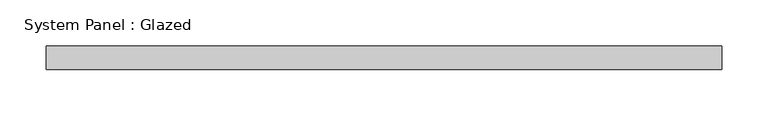
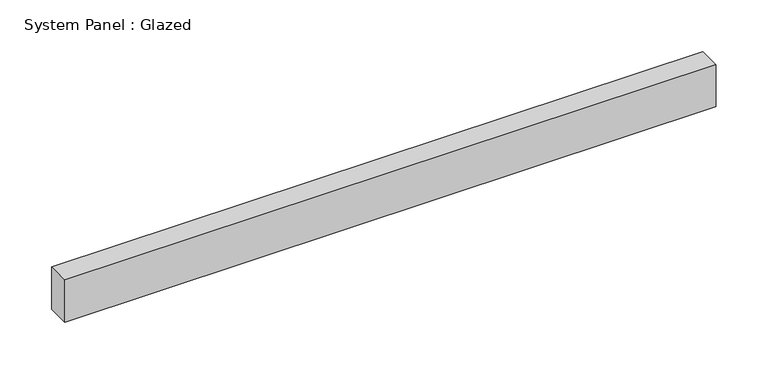
"""IFC4 building model written with IfcOpenShell, lengths in millimetres: plate geometry, System Panel : Glazed."""

from ifc_helpers import new_model, si_unit, origin, origin_with_axes, place, context, project, spatial, polyline, outline, extrude, source, transform, mapped, element, save


def system_panel_glazed_890c4e5f(model_context):
    return source(origin(), model_context, "Body", "SweptSolid", [
        extrude(outline(polyline([(364.45, 19.05), (-364.45, 19.05), (-364.45, 44.45), (364.45, 44.45), (364.45, 19.05)])), origin_with_axes(), (0.0, 0.0, 1.0), 50.0),
    ])


if __name__ == "__main__":
    model = new_model("IFC4")
    model_context = context("Model", 3, world=origin())
    ifc_project = project(units=[si_unit("LENGTHUNIT", "METRE", prefix="MILLI")], contexts=[model_context])
    site = spatial("IfcSite", under=ifc_project)
    building = spatial("IfcBuilding", under=site)
    placement = place(None, origin())
    system_panel_glazed_shape = system_panel_glazed_890c4e5f(model_context)
    element("IfcPlate", 1, ObjectType="System Panel : Glazed", at=placement, inside=building, context=model_context, shape_type="MappedRepresentation", body=[
        mapped(system_panel_glazed_shape, transform((0.0, 0.0, 0.0), x_axis=(1.0, 0.0, 0.0), y_axis=(0.0, 1.0, 0.0), z_axis=(0.0, 0.0, 1.0))),
    ])
    save(model, "model.ifc")
